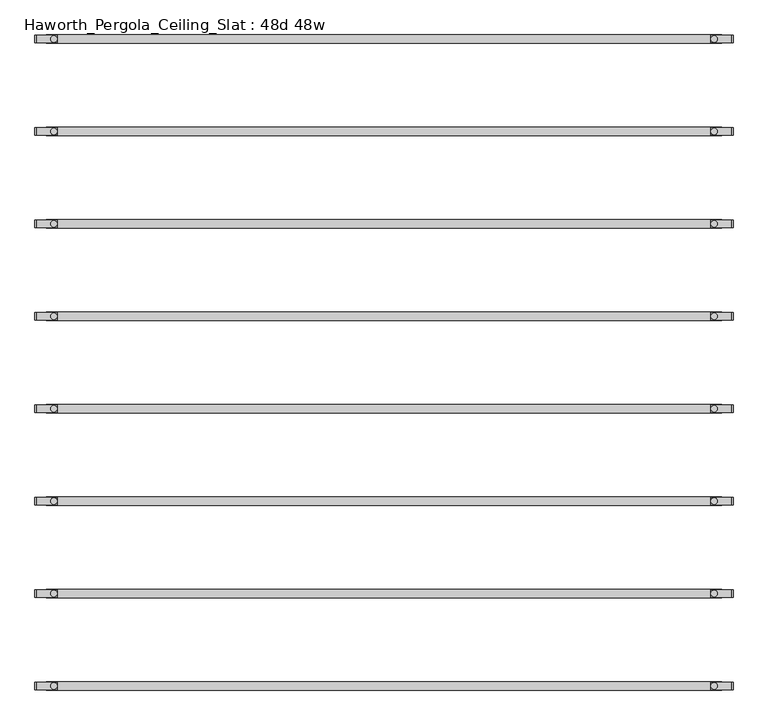
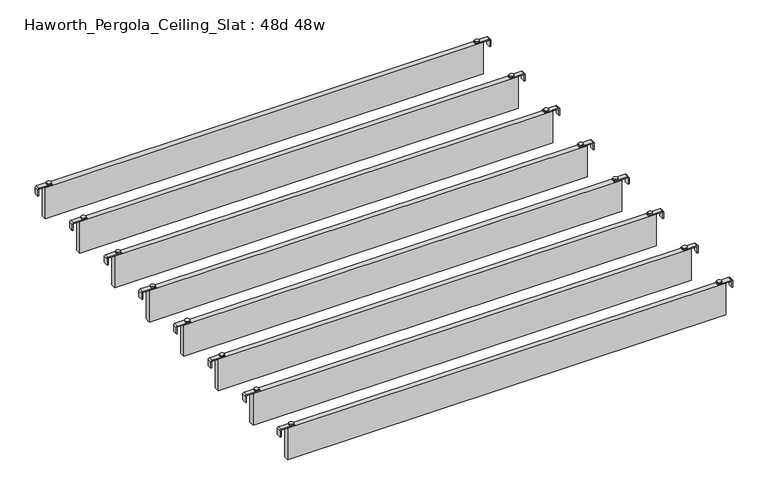
"""IFC4 building model written with IfcOpenShell, lengths in millimetres: furniture geometry, Haworth_Pergola_Ceiling_Slat : 48d 48w."""

from ifc_helpers import new_model, si_unit, point, frame, frame_2d, origin, place, context, project, spatial, polyline, circle_curve, trimmed, segment, composite_curve, outline, extrude, source, transform, mapped, element, save


def haworth_pergola_ceiling_slat_48d_48w_7653ec2f(model_context):
    return source(origin(), model_context, "Body", "SweptSolid", [
        extrude(outline(composite_curve([segment(trimmed(circle_curve(frame_2d((634.0, -921.4212857)), 5.9838099), [point((628.0161901, -921.4212857))], [point((639.9838099, -921.4212857))], False, "CARTESIAN"), True, "CONTINUOUS"), segment(trimmed(circle_curve(frame_2d((634.0, -921.4212857)), 5.9838099), [point((639.9838099, -921.4212857))], [point((628.0161901, -921.4212857))], False, "CARTESIAN"), True, "CONTINUOUS")], self_intersect=False)), frame((0.0, 0.0, 2440.9329992), z_axis=(0.0, 0.0, 1.0), x_axis=(1.0, 0.0, 0.0)), (0.0, 0.0, 1.0), 3.4400008),
        extrude(outline(composite_curve([segment(trimmed(circle_curve(frame_2d((-557.8, -921.4212857)), 5.9838099), [point((-551.8161901, -921.4212857))], [point((-563.7838099, -921.4212857))], False, "CARTESIAN"), True, "CONTINUOUS"), segment(trimmed(circle_curve(frame_2d((-557.8, -921.4212857)), 5.9838099), [point((-563.7838099, -921.4212857))], [point((-551.8161901, -921.4212857))], False, "CARTESIAN"), True, "CONTINUOUS")], self_intersect=False)), frame((0.0, 0.0, 2440.9329992), z_axis=(0.0, 0.0, 1.0), x_axis=(1.0, 0.0, 0.0)), (0.0, 0.0, 1.0), 3.4400008),
        extrude(outline(composite_curve([segment(polyline([(2419.2231711, 668.16), (2437.2499992, 668.16)]), True, "CONTINUOUS"), segment(trimmed(circle_curve(frame_2d((2437.2499992, 664.477)), 3.683), [point((2437.2499992, 668.16))], [point((2440.9329992, 664.477))], False, "CARTESIAN"), True, "CONTINUOUS"), segment(polyline([(2440.9329992, 664.477), (2440.9329992, 627.5), (2438.2729997, 627.5), (2438.2729997, 664.4905568)]), True, "CONTINUOUS"), segment(trimmed(circle_curve(frame_2d((2437.2635571, 664.4905568)), 1.0094425), [point((2438.2729997, 664.4905568))], [point((2437.2635571, 665.4999993))], True, "CARTESIAN"), True, "CONTINUOUS"), segment(polyline([(2437.2635571, 665.4999993), (2419.2231711, 665.4999993), (2419.2231711, 668.16)]), True, "CONTINUOUS")], self_intersect=False)), frame((0.0, -927.9142861, 0.0), z_axis=(0.0, 1.0, 0.0), x_axis=(0.0, 0.0, 1.0)), (0.0, 0.0, 1.0), 13.0),
        extrude(outline(composite_curve([segment(polyline([(2419.2231711, -591.96), (2419.2231711, -589.2999993), (2437.2635571, -589.2999993)]), True, "CONTINUOUS"), segment(trimmed(circle_curve(frame_2d((2437.2635571, -588.2905568)), 1.0094425), [point((2437.2635571, -589.2999993))], [point((2438.2729997, -588.2905568))], True, "CARTESIAN"), True, "CONTINUOUS"), segment(polyline([(2438.2729997, -588.2905568), (2438.2729997, -551.3), (2440.9329992, -551.3), (2440.9329992, -588.277)]), True, "CONTINUOUS"), segment(trimmed(circle_curve(frame_2d((2437.2499992, -588.277)), 3.683), [point((2440.9329992, -588.277))], [point((2437.2499992, -591.96))], False, "CARTESIAN"), True, "CONTINUOUS"), segment(polyline([(2437.2499992, -591.96), (2419.2231711, -591.96)]), True, "CONTINUOUS")], self_intersect=False)), frame((0.0, -927.9142861, 0.0), z_axis=(0.0, 1.0, 0.0), x_axis=(0.0, 0.0, 1.0)), (0.0, 0.0, 1.0), 13.0),
        extrude(outline(polyline([(-571.5, -928.9142857), (-571.5, -913.9282857), (647.7, -913.9282857), (647.7, -928.9142857), (-571.5, -928.9142857)])), frame((0.0, 0.0, 2346.198), z_axis=(0.0, 0.0, 1.0), x_axis=(1.0, 0.0, 0.0)), (0.0, 0.0, 1.0), 92.202),
        extrude(outline(composite_curve([segment(trimmed(circle_curve(frame_2d((634.0, -1088.3355714)), 5.9838099), [point((628.0161901, -1088.3355714))], [point((639.9838099, -1088.3355714))], False, "CARTESIAN"), True, "CONTINUOUS"), segment(trimmed(circle_curve(frame_2d((634.0, -1088.3355714)), 5.9838099), [point((639.9838099, -1088.3355714))], [point((628.0161901, -1088.3355714))], False, "CARTESIAN"), True, "CONTINUOUS")], self_intersect=False)), frame((0.0, 0.0, 2440.9329992), z_axis=(0.0, 0.0, 1.0), x_axis=(1.0, 0.0, 0.0)), (0.0, 0.0, 1.0), 3.4400008),
        extrude(outline(composite_curve([segment(trimmed(circle_curve(frame_2d((-557.8, -1088.3355714)), 5.9838099), [point((-551.8161901, -1088.3355714))], [point((-563.7838099, -1088.3355714))], False, "CARTESIAN"), True, "CONTINUOUS"), segment(trimmed(circle_curve(frame_2d((-557.8, -1088.3355714)), 5.9838099), [point((-563.7838099, -1088.3355714))], [point((-551.8161901, -1088.3355714))], False, "CARTESIAN"), True, "CONTINUOUS")], self_intersect=False)), frame((0.0, 0.0, 2440.9329992), z_axis=(0.0, 0.0, 1.0), x_axis=(1.0, 0.0, 0.0)), (0.0, 0.0, 1.0), 3.4400008),
        extrude(outline(composite_curve([segment(polyline([(2419.2231711, 668.16), (2437.2499992, 668.16)]), True, "CONTINUOUS"), segment(trimmed(circle_curve(frame_2d((2437.2499992, 664.477)), 3.683), [point((2437.2499992, 668.16))], [point((2440.9329992, 664.477))], False, "CARTESIAN"), True, "CONTINUOUS"), segment(polyline([(2440.9329992, 664.477), (2440.9329992, 627.5), (2438.2729997, 627.5), (2438.2729997, 664.4905568)]), True, "CONTINUOUS"), segment(trimmed(circle_curve(frame_2d((2437.2635571, 664.4905568)), 1.0094425), [point((2438.2729997, 664.4905568))], [point((2437.2635571, 665.4999993))], True, "CARTESIAN"), True, "CONTINUOUS"), segment(polyline([(2437.2635571, 665.4999993), (2419.2231711, 665.4999993), (2419.2231711, 668.16)]), True, "CONTINUOUS")], self_intersect=False)), frame((0.0, -1094.8285718, 0.0), z_axis=(0.0, 1.0, 0.0), x_axis=(0.0, 0.0, 1.0)), (0.0, 0.0, 1.0), 13.0),
        extrude(outline(composite_curve([segment(polyline([(2419.2231711, -591.96), (2419.2231711, -589.2999993), (2437.2635571, -589.2999993)]), True, "CONTINUOUS"), segment(trimmed(circle_curve(frame_2d((2437.2635571, -588.2905568)), 1.0094425), [point((2437.2635571, -589.2999993))], [point((2438.2729997, -588.2905568))], True, "CARTESIAN"), True, "CONTINUOUS"), segment(polyline([(2438.2729997, -588.2905568), (2438.2729997, -551.3), (2440.9329992, -551.3), (2440.9329992, -588.277)]), True, "CONTINUOUS"), segment(trimmed(circle_curve(frame_2d((2437.2499992, -588.277)), 3.683), [point((2440.9329992, -588.277))], [point((2437.2499992, -591.96))], False, "CARTESIAN"), True, "CONTINUOUS"), segment(polyline([(2437.2499992, -591.96), (2419.2231711, -591.96)]), True, "CONTINUOUS")], self_intersect=False)), frame((0.0, -1094.8285718, 0.0), z_axis=(0.0, 1.0, 0.0), x_axis=(0.0, 0.0, 1.0)), (0.0, 0.0, 1.0), 13.0),
        extrude(outline(polyline([(-571.5, -1095.8285714), (-571.5, -1080.8425714), (647.7, -1080.8425714), (647.7, -1095.8285714), (-571.5, -1095.8285714)])), frame((0.0, 0.0, 2346.198), z_axis=(0.0, 0.0, 1.0), x_axis=(1.0, 0.0, 0.0)), (0.0, 0.0, 1.0), 92.202),
        extrude(outline(composite_curve([segment(trimmed(circle_curve(frame_2d((634.0, -1255.2498571)), 5.9838099), [point((628.0161901, -1255.2498571))], [point((639.9838099, -1255.2498571))], False, "CARTESIAN"), True, "CONTINUOUS"), segment(trimmed(circle_curve(frame_2d((634.0, -1255.2498571)), 5.9838099), [point((639.9838099, -1255.2498571))], [point((628.0161901, -1255.2498571))], False, "CARTESIAN"), True, "CONTINUOUS")], self_intersect=False)), frame((0.0, 0.0, 2440.9329992), z_axis=(0.0, 0.0, 1.0), x_axis=(1.0, 0.0, 0.0)), (0.0, 0.0, 1.0), 3.4400008),
        extrude(outline(composite_curve([segment(trimmed(circle_curve(frame_2d((-557.8, -1255.2498571)), 5.9838099), [point((-551.8161901, -1255.2498571))], [point((-563.7838099, -1255.2498571))], False, "CARTESIAN"), True, "CONTINUOUS"), segment(trimmed(circle_curve(frame_2d((-557.8, -1255.2498571)), 5.9838099), [point((-563.7838099, -1255.2498571))], [point((-551.8161901, -1255.2498571))], False, "CARTESIAN"), True, "CONTINUOUS")], self_intersect=False)), frame((0.0, 0.0, 2440.9329992), z_axis=(0.0, 0.0, 1.0), x_axis=(1.0, 0.0, 0.0)), (0.0, 0.0, 1.0), 3.4400008),
        extrude(outline(composite_curve([segment(polyline([(2419.2231711, 668.16), (2437.2499992, 668.16)]), True, "CONTINUOUS"), segment(trimmed(circle_curve(frame_2d((2437.2499992, 664.477)), 3.683), [point((2437.2499992, 668.16))], [point((2440.9329992, 664.477))], False, "CARTESIAN"), True, "CONTINUOUS"), segment(polyline([(2440.9329992, 664.477), (2440.9329992, 627.5), (2438.2729997, 627.5), (2438.2729997, 664.4905568)]), True, "CONTINUOUS"), segment(trimmed(circle_curve(frame_2d((2437.2635571, 664.4905568)), 1.0094425), [point((2438.2729997, 664.4905568))], [point((2437.2635571, 665.4999993))], True, "CARTESIAN"), True, "CONTINUOUS"), segment(polyline([(2437.2635571, 665.4999993), (2419.2231711, 665.4999993), (2419.2231711, 668.16)]), True, "CONTINUOUS")], self_intersect=False)), frame((0.0, -1261.7428575, 0.0), z_axis=(0.0, 1.0, 0.0), x_axis=(0.0, 0.0, 1.0)), (0.0, 0.0, 1.0), 13.0),
        extrude(outline(composite_curve([segment(polyline([(2419.2231711, -591.96), (2419.2231711, -589.2999993), (2437.2635571, -589.2999993)]), True, "CONTINUOUS"), segment(trimmed(circle_curve(frame_2d((2437.2635571, -588.2905568)), 1.0094425), [point((2437.2635571, -589.2999993))], [point((2438.2729997, -588.2905568))], True, "CARTESIAN"), True, "CONTINUOUS"), segment(polyline([(2438.2729997, -588.2905568), (2438.2729997, -551.3), (2440.9329992, -551.3), (2440.9329992, -588.277)]), True, "CONTINUOUS"), segment(trimmed(circle_curve(frame_2d((2437.2499992, -588.277)), 3.683), [point((2440.9329992, -588.277))], [point((2437.2499992, -591.96))], False, "CARTESIAN"), True, "CONTINUOUS"), segment(polyline([(2437.2499992, -591.96), (2419.2231711, -591.96)]), True, "CONTINUOUS")], self_intersect=False)), frame((0.0, -1261.7428575, 0.0), z_axis=(0.0, 1.0, 0.0), x_axis=(0.0, 0.0, 1.0)), (0.0, 0.0, 1.0), 13.0),
        extrude(outline(polyline([(-571.5, -1262.7428571), (-571.5, -1247.7568571), (647.7, -1247.7568571), (647.7, -1262.7428571), (-571.5, -1262.7428571)])), frame((0.0, 0.0, 2346.198), z_axis=(0.0, 0.0, 1.0), x_axis=(1.0, 0.0, 0.0)), (0.0, 0.0, 1.0), 92.202),
        extrude(outline(composite_curve([segment(trimmed(circle_curve(frame_2d((634.0, -1422.1641429)), 5.9838099), [point((628.0161901, -1422.1641429))], [point((639.9838099, -1422.1641429))], False, "CARTESIAN"), True, "CONTINUOUS"), segment(trimmed(circle_curve(frame_2d((634.0, -1422.1641429)), 5.9838099), [point((639.9838099, -1422.1641429))], [point((628.0161901, -1422.1641429))], False, "CARTESIAN"), True, "CONTINUOUS")], self_intersect=False)), frame((0.0, 0.0, 2440.9329992), z_axis=(0.0, 0.0, 1.0), x_axis=(1.0, 0.0, 0.0)), (0.0, 0.0, 1.0), 3.4400008),
        extrude(outline(composite_curve([segment(trimmed(circle_curve(frame_2d((-557.8, -1422.1641429)), 5.9838099), [point((-551.8161901, -1422.1641429))], [point((-563.7838099, -1422.1641429))], False, "CARTESIAN"), True, "CONTINUOUS"), segment(trimmed(circle_curve(frame_2d((-557.8, -1422.1641429)), 5.9838099), [point((-563.7838099, -1422.1641429))], [point((-551.8161901, -1422.1641429))], False, "CARTESIAN"), True, "CONTINUOUS")], self_intersect=False)), frame((0.0, 0.0, 2440.9329992), z_axis=(0.0, 0.0, 1.0), x_axis=(1.0, 0.0, 0.0)), (0.0, 0.0, 1.0), 3.4400008),
        extrude(outline(composite_curve([segment(polyline([(2419.2231711, 668.16), (2437.2499992, 668.16)]), True, "CONTINUOUS"), segment(trimmed(circle_curve(frame_2d((2437.2499992, 664.477)), 3.683), [point((2437.2499992, 668.16))], [point((2440.9329992, 664.477))], False, "CARTESIAN"), True, "CONTINUOUS"), segment(polyline([(2440.9329992, 664.477), (2440.9329992, 627.5), (2438.2729997, 627.5), (2438.2729997, 664.4905568)]), True, "CONTINUOUS"), segment(trimmed(circle_curve(frame_2d((2437.2635571, 664.4905568)), 1.0094425), [point((2438.2729997, 664.4905568))], [point((2437.2635571, 665.4999993))], True, "CARTESIAN"), True, "CONTINUOUS"), segment(polyline([(2437.2635571, 665.4999993), (2419.2231711, 665.4999993), (2419.2231711, 668.16)]), True, "CONTINUOUS")], self_intersect=False)), frame((0.0, -1428.6571432, 0.0), z_axis=(0.0, 1.0, 0.0), x_axis=(0.0, 0.0, 1.0)), (0.0, 0.0, 1.0), 13.0),
        extrude(outline(composite_curve([segment(polyline([(2419.2231711, -591.96), (2419.2231711, -589.2999993), (2437.2635571, -589.2999993)]), True, "CONTINUOUS"), segment(trimmed(circle_curve(frame_2d((2437.2635571, -588.2905568)), 1.0094425), [point((2437.2635571, -589.2999993))], [point((2438.2729997, -588.2905568))], True, "CARTESIAN"), True, "CONTINUOUS"), segment(polyline([(2438.2729997, -588.2905568), (2438.2729997, -551.3), (2440.9329992, -551.3), (2440.9329992, -588.277)]), True, "CONTINUOUS"), segment(trimmed(circle_curve(frame_2d((2437.2499992, -588.277)), 3.683), [point((2440.9329992, -588.277))], [point((2437.2499992, -591.96))], False, "CARTESIAN"), True, "CONTINUOUS"), segment(polyline([(2437.2499992, -591.96), (2419.2231711, -591.96)]), True, "CONTINUOUS")], self_intersect=False)), frame((0.0, -1428.6571432, 0.0), z_axis=(0.0, 1.0, 0.0), x_axis=(0.0, 0.0, 1.0)), (0.0, 0.0, 1.0), 13.0),
        extrude(outline(polyline([(-571.5, -1429.6571429), (-571.5, -1414.6711429), (647.7, -1414.6711429), (647.7, -1429.6571429), (-571.5, -1429.6571429)])), frame((0.0, 0.0, 2346.198), z_axis=(0.0, 0.0, 1.0), x_axis=(1.0, 0.0, 0.0)), (0.0, 0.0, 1.0), 92.202),
        extrude(outline(composite_curve([segment(trimmed(circle_curve(frame_2d((634.0, -1589.0784286)), 5.9838099), [point((628.0161901, -1589.0784286))], [point((639.9838099, -1589.0784286))], False, "CARTESIAN"), True, "CONTINUOUS"), segment(trimmed(circle_curve(frame_2d((634.0, -1589.0784286)), 5.9838099), [point((639.9838099, -1589.0784286))], [point((628.0161901, -1589.0784286))], False, "CARTESIAN"), True, "CONTINUOUS")], self_intersect=False)), frame((0.0, 0.0, 2440.9329992), z_axis=(0.0, 0.0, 1.0), x_axis=(1.0, 0.0, 0.0)), (0.0, 0.0, 1.0), 3.4400008),
        extrude(outline(composite_curve([segment(trimmed(circle_curve(frame_2d((-557.8, -1589.0784286)), 5.9838099), [point((-551.8161901, -1589.0784286))], [point((-563.7838099, -1589.0784286))], False, "CARTESIAN"), True, "CONTINUOUS"), segment(trimmed(circle_curve(frame_2d((-557.8, -1589.0784286)), 5.9838099), [point((-563.7838099, -1589.0784286))], [point((-551.8161901, -1589.0784286))], False, "CARTESIAN"), True, "CONTINUOUS")], self_intersect=False)), frame((0.0, 0.0, 2440.9329992), z_axis=(0.0, 0.0, 1.0), x_axis=(1.0, 0.0, 0.0)), (0.0, 0.0, 1.0), 3.4400008),
        extrude(outline(composite_curve([segment(polyline([(2419.2231711, 668.16), (2437.2499992, 668.16)]), True, "CONTINUOUS"), segment(trimmed(circle_curve(frame_2d((2437.2499992, 664.477)), 3.683), [point((2437.2499992, 668.16))], [point((2440.9329992, 664.477))], False, "CARTESIAN"), True, "CONTINUOUS"), segment(polyline([(2440.9329992, 664.477), (2440.9329992, 627.5), (2438.2729997, 627.5), (2438.2729997, 664.4905568)]), True, "CONTINUOUS"), segment(trimmed(circle_curve(frame_2d((2437.2635571, 664.4905568)), 1.0094425), [point((2438.2729997, 664.4905568))], [point((2437.2635571, 665.4999993))], True, "CARTESIAN"), True, "CONTINUOUS"), segment(polyline([(2437.2635571, 665.4999993), (2419.2231711, 665.4999993), (2419.2231711, 668.16)]), True, "CONTINUOUS")], self_intersect=False)), frame((0.0, -1595.5714289, 0.0), z_axis=(0.0, 1.0, 0.0), x_axis=(0.0, 0.0, 1.0)), (0.0, 0.0, 1.0), 13.0),
        extrude(outline(composite_curve([segment(polyline([(2419.2231711, -591.96), (2419.2231711, -589.2999993), (2437.2635571, -589.2999993)]), True, "CONTINUOUS"), segment(trimmed(circle_curve(frame_2d((2437.2635571, -588.2905568)), 1.0094425), [point((2437.2635571, -589.2999993))], [point((2438.2729997, -588.2905568))], True, "CARTESIAN"), True, "CONTINUOUS"), segment(polyline([(2438.2729997, -588.2905568), (2438.2729997, -551.3), (2440.9329992, -551.3), (2440.9329992, -588.277)]), True, "CONTINUOUS"), segment(trimmed(circle_curve(frame_2d((2437.2499992, -588.277)), 3.683), [point((2440.9329992, -588.277))], [point((2437.2499992, -591.96))], False, "CARTESIAN"), True, "CONTINUOUS"), segment(polyline([(2437.2499992, -591.96), (2419.2231711, -591.96)]), True, "CONTINUOUS")], self_intersect=False)), frame((0.0, -1595.5714289, 0.0), z_axis=(0.0, 1.0, 0.0), x_axis=(0.0, 0.0, 1.0)), (0.0, 0.0, 1.0), 13.0),
        extrude(outline(polyline([(-571.5, -1596.5714286), (-571.5, -1581.5854286), (647.7, -1581.5854286), (647.7, -1596.5714286), (-571.5, -1596.5714286)])), frame((0.0, 0.0, 2346.198), z_axis=(0.0, 0.0, 1.0), x_axis=(1.0, 0.0, 0.0)), (0.0, 0.0, 1.0), 92.202),
        extrude(outline(composite_curve([segment(trimmed(circle_curve(frame_2d((634.0, -1755.9927143)), 5.9838099), [point((628.0161901, -1755.9927143))], [point((639.9838099, -1755.9927143))], False, "CARTESIAN"), True, "CONTINUOUS"), segment(trimmed(circle_curve(frame_2d((634.0, -1755.9927143)), 5.9838099), [point((639.9838099, -1755.9927143))], [point((628.0161901, -1755.9927143))], False, "CARTESIAN"), True, "CONTINUOUS")], self_intersect=False)), frame((0.0, 0.0, 2440.9329992), z_axis=(0.0, 0.0, 1.0), x_axis=(1.0, 0.0, 0.0)), (0.0, 0.0, 1.0), 3.4400008),
        extrude(outline(composite_curve([segment(trimmed(circle_curve(frame_2d((-557.8, -1755.9927143)), 5.9838099), [point((-551.8161901, -1755.9927143))], [point((-563.7838099, -1755.9927143))], False, "CARTESIAN"), True, "CONTINUOUS"), segment(trimmed(circle_curve(frame_2d((-557.8, -1755.9927143)), 5.9838099), [point((-563.7838099, -1755.9927143))], [point((-551.8161901, -1755.9927143))], False, "CARTESIAN"), True, "CONTINUOUS")], self_intersect=False)), frame((0.0, 0.0, 2440.9329992), z_axis=(0.0, 0.0, 1.0), x_axis=(1.0, 0.0, 0.0)), (0.0, 0.0, 1.0), 3.4400008),
        extrude(outline(composite_curve([segment(polyline([(2419.2231711, 668.16), (2437.2499992, 668.16)]), True, "CONTINUOUS"), segment(trimmed(circle_curve(frame_2d((2437.2499992, 664.477)), 3.683), [point((2437.2499992, 668.16))], [point((2440.9329992, 664.477))], False, "CARTESIAN"), True, "CONTINUOUS"), segment(polyline([(2440.9329992, 664.477), (2440.9329992, 627.5), (2438.2729997, 627.5), (2438.2729997, 664.4905568)]), True, "CONTINUOUS"), segment(trimmed(circle_curve(frame_2d((2437.2635571, 664.4905568)), 1.0094425), [point((2438.2729997, 664.4905568))], [point((2437.2635571, 665.4999993))], True, "CARTESIAN"), True, "CONTINUOUS"), segment(polyline([(2437.2635571, 665.4999993), (2419.2231711, 665.4999993), (2419.2231711, 668.16)]), True, "CONTINUOUS")], self_intersect=False)), frame((0.0, -1762.4857146, 0.0), z_axis=(0.0, 1.0, 0.0), x_axis=(0.0, 0.0, 1.0)), (0.0, 0.0, 1.0), 13.0),
        extrude(outline(composite_curve([segment(polyline([(2419.2231711, -591.96), (2419.2231711, -589.2999993), (2437.2635571, -589.2999993)]), True, "CONTINUOUS"), segment(trimmed(circle_curve(frame_2d((2437.2635571, -588.2905568)), 1.0094425), [point((2437.2635571, -589.2999993))], [point((2438.2729997, -588.2905568))], True, "CARTESIAN"), True, "CONTINUOUS"), segment(polyline([(2438.2729997, -588.2905568), (2438.2729997, -551.3), (2440.9329992, -551.3), (2440.9329992, -588.277)]), True, "CONTINUOUS"), segment(trimmed(circle_curve(frame_2d((2437.2499992, -588.277)), 3.683), [point((2440.9329992, -588.277))], [point((2437.2499992, -591.96))], False, "CARTESIAN"), True, "CONTINUOUS"), segment(polyline([(2437.2499992, -591.96), (2419.2231711, -591.96)]), True, "CONTINUOUS")], self_intersect=False)), frame((0.0, -1762.4857146, 0.0), z_axis=(0.0, 1.0, 0.0), x_axis=(0.0, 0.0, 1.0)), (0.0, 0.0, 1.0), 13.0),
        extrude(outline(polyline([(-571.5, -1763.4857143), (-571.5, -1748.4997143), (647.7, -1748.4997143), (647.7, -1763.4857143), (-571.5, -1763.4857143)])), frame((0.0, 0.0, 2346.198), z_axis=(0.0, 0.0, 1.0), x_axis=(1.0, 0.0, 0.0)), (0.0, 0.0, 1.0), 92.202),
        extrude(outline(composite_curve([segment(trimmed(circle_curve(frame_2d((634.0, -754.507)), 5.9838099), [point((628.0161901, -754.507))], [point((639.9838099, -754.507))], False, "CARTESIAN"), True, "CONTINUOUS"), segment(trimmed(circle_curve(frame_2d((634.0, -754.507)), 5.9838099), [point((639.9838099, -754.507))], [point((628.0161901, -754.507))], False, "CARTESIAN"), True, "CONTINUOUS")], self_intersect=False)), frame((0.0, 0.0, 2440.9329992), z_axis=(0.0, 0.0, 1.0), x_axis=(1.0, 0.0, 0.0)), (0.0, 0.0, 1.0), 3.4400008),
        extrude(outline(composite_curve([segment(trimmed(circle_curve(frame_2d((-557.8, -754.507)), 5.9838099), [point((-551.8161901, -754.507))], [point((-563.7838099, -754.507))], False, "CARTESIAN"), True, "CONTINUOUS"), segment(trimmed(circle_curve(frame_2d((-557.8, -754.507)), 5.9838099), [point((-563.7838099, -754.507))], [point((-551.8161901, -754.507))], False, "CARTESIAN"), True, "CONTINUOUS")], self_intersect=False)), frame((0.0, 0.0, 2440.9329992), z_axis=(0.0, 0.0, 1.0), x_axis=(1.0, 0.0, 0.0)), (0.0, 0.0, 1.0), 3.4400008),
        extrude(outline(composite_curve([segment(polyline([(2419.2231711, 668.16), (2437.2499992, 668.16)]), True, "CONTINUOUS"), segment(trimmed(circle_curve(frame_2d((2437.2499992, 664.477)), 3.683), [point((2437.2499992, 668.16))], [point((2440.9329992, 664.477))], False, "CARTESIAN"), True, "CONTINUOUS"), segment(polyline([(2440.9329992, 664.477), (2440.9329992, 627.5), (2438.2729997, 627.5), (2438.2729997, 664.4905568)]), True, "CONTINUOUS"), segment(trimmed(circle_curve(frame_2d((2437.2635571, 664.4905568)), 1.0094425), [point((2438.2729997, 664.4905568))], [point((2437.2635571, 665.4999993))], True, "CARTESIAN"), True, "CONTINUOUS"), segment(polyline([(2437.2635571, 665.4999993), (2419.2231711, 665.4999993), (2419.2231711, 668.16)]), True, "CONTINUOUS")], self_intersect=False)), frame((0.0, -761.0000003, 0.0), z_axis=(0.0, 1.0, 0.0), x_axis=(0.0, 0.0, 1.0)), (0.0, 0.0, 1.0), 13.0),
        extrude(outline(composite_curve([segment(polyline([(2419.2231711, -591.96), (2419.2231711, -589.2999993), (2437.2635571, -589.2999993)]), True, "CONTINUOUS"), segment(trimmed(circle_curve(frame_2d((2437.2635571, -588.2905568)), 1.0094425), [point((2437.2635571, -589.2999993))], [point((2438.2729997, -588.2905568))], True, "CARTESIAN"), True, "CONTINUOUS"), segment(polyline([(2438.2729997, -588.2905568), (2438.2729997, -551.3), (2440.9329992, -551.3), (2440.9329992, -588.277)]), True, "CONTINUOUS"), segment(trimmed(circle_curve(frame_2d((2437.2499992, -588.277)), 3.683), [point((2440.9329992, -588.277))], [point((2437.2499992, -591.96))], False, "CARTESIAN"), True, "CONTINUOUS"), segment(polyline([(2437.2499992, -591.96), (2419.2231711, -591.96)]), True, "CONTINUOUS")], self_intersect=False)), frame((0.0, -761.0000003, 0.0), z_axis=(0.0, 1.0, 0.0), x_axis=(0.0, 0.0, 1.0)), (0.0, 0.0, 1.0), 13.0),
        extrude(outline(polyline([(-571.5, -762.0), (-571.5, -747.014), (647.7, -747.014), (647.7, -762.0), (-571.5, -762.0)])), frame((0.0, 0.0, 2346.198), z_axis=(0.0, 0.0, 1.0), x_axis=(1.0, 0.0, 0.0)), (0.0, 0.0, 1.0), 92.202),
        extrude(outline(composite_curve([segment(trimmed(circle_curve(frame_2d((634.0, -1922.907)), 5.9838099), [point((628.0161901, -1922.907))], [point((639.9838099, -1922.907))], False, "CARTESIAN"), True, "CONTINUOUS"), segment(trimmed(circle_curve(frame_2d((634.0, -1922.907)), 5.9838099), [point((639.9838099, -1922.907))], [point((628.0161901, -1922.907))], False, "CARTESIAN"), True, "CONTINUOUS")], self_intersect=False)), frame((0.0, 0.0, 2440.9329992), z_axis=(0.0, 0.0, 1.0), x_axis=(1.0, 0.0, 0.0)), (0.0, 0.0, 1.0), 3.4400008),
        extrude(outline(composite_curve([segment(trimmed(circle_curve(frame_2d((-557.8, -1922.907)), 5.9838099), [point((-551.8161901, -1922.907))], [point((-563.7838099, -1922.907))], False, "CARTESIAN"), True, "CONTINUOUS"), segment(trimmed(circle_curve(frame_2d((-557.8, -1922.907)), 5.9838099), [point((-563.7838099, -1922.907))], [point((-551.8161901, -1922.907))], False, "CARTESIAN"), True, "CONTINUOUS")], self_intersect=False)), frame((0.0, 0.0, 2440.9329992), z_axis=(0.0, 0.0, 1.0), x_axis=(1.0, 0.0, 0.0)), (0.0, 0.0, 1.0), 3.4400008),
        extrude(outline(composite_curve([segment(polyline([(2419.2231711, 668.16), (2437.2499992, 668.16)]), True, "CONTINUOUS"), segment(trimmed(circle_curve(frame_2d((2437.2499992, 664.477)), 3.683), [point((2437.2499992, 668.16))], [point((2440.9329992, 664.477))], False, "CARTESIAN"), True, "CONTINUOUS"), segment(polyline([(2440.9329992, 664.477), (2440.9329992, 627.5), (2438.2729997, 627.5), (2438.2729997, 664.4905568)]), True, "CONTINUOUS"), segment(trimmed(circle_curve(frame_2d((2437.2635571, 664.4905568)), 1.0094425), [point((2438.2729997, 664.4905568))], [point((2437.2635571, 665.4999993))], True, "CARTESIAN"), True, "CONTINUOUS"), segment(polyline([(2437.2635571, 665.4999993), (2419.2231711, 665.4999993), (2419.2231711, 668.16)]), True, "CONTINUOUS")], self_intersect=False)), frame((0.0, -1929.4000003, 0.0), z_axis=(0.0, 1.0, 0.0), x_axis=(0.0, 0.0, 1.0)), (0.0, 0.0, 1.0), 13.0),
        extrude(outline(composite_curve([segment(polyline([(2419.2231711, -591.96), (2419.2231711, -589.2999993), (2437.2635571, -589.2999993)]), True, "CONTINUOUS"), segment(trimmed(circle_curve(frame_2d((2437.2635571, -588.2905568)), 1.0094425), [point((2437.2635571, -589.2999993))], [point((2438.2729997, -588.2905568))], True, "CARTESIAN"), True, "CONTINUOUS"), segment(polyline([(2438.2729997, -588.2905568), (2438.2729997, -551.3), (2440.9329992, -551.3), (2440.9329992, -588.277)]), True, "CONTINUOUS"), segment(trimmed(circle_curve(frame_2d((2437.2499992, -588.277)), 3.683), [point((2440.9329992, -588.277))], [point((2437.2499992, -591.96))], False, "CARTESIAN"), True, "CONTINUOUS"), segment(polyline([(2437.2499992, -591.96), (2419.2231711, -591.96)]), True, "CONTINUOUS")], self_intersect=False)), frame((0.0, -1929.4000003, 0.0), z_axis=(0.0, 1.0, 0.0), x_axis=(0.0, 0.0, 1.0)), (0.0, 0.0, 1.0), 13.0),
        extrude(outline(polyline([(-571.5, -1930.4), (-571.5, -1915.414), (647.7, -1915.414), (647.7, -1930.4), (-571.5, -1930.4)])), frame((0.0, 0.0, 2346.198), z_axis=(0.0, 0.0, 1.0), x_axis=(1.0, 0.0, 0.0)), (0.0, 0.0, 1.0), 92.202),
    ])


if __name__ == "__main__":
    model = new_model("IFC4")
    model_context = context("Model", 3, world=origin())
    ifc_project = project(units=[si_unit("LENGTHUNIT", "METRE", prefix="MILLI")], contexts=[model_context])
    site = spatial("IfcSite", under=ifc_project)
    building = spatial("IfcBuilding", under=site)
    placement = place(None, origin())
    haworth_pergola_ceiling_slat_48d_48w_shape = haworth_pergola_ceiling_slat_48d_48w_7653ec2f(model_context)
    element("IfcFurniture", 1, ObjectType="Haworth_Pergola_Ceiling_Slat : 48d 48w", at=placement, inside=building, context=model_context, shape_type="MappedRepresentation", body=[
        mapped(haworth_pergola_ceiling_slat_48d_48w_shape, transform((0.0, 0.0, 0.0), x_axis=(1.0, 0.0, 0.0), y_axis=(0.0, 1.0, 0.0), z_axis=(0.0, 0.0, 1.0))),
    ])
    save(model, "model.ifc")
